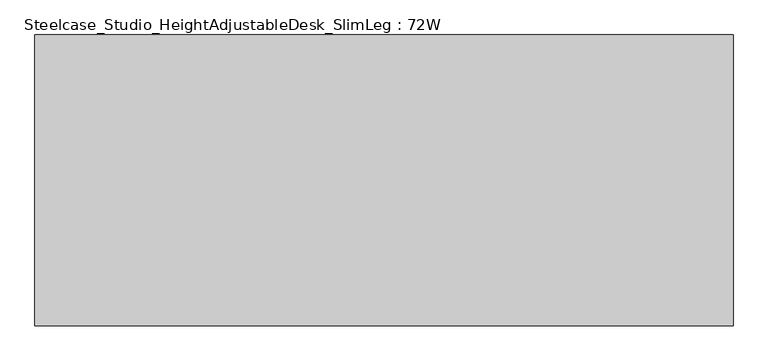
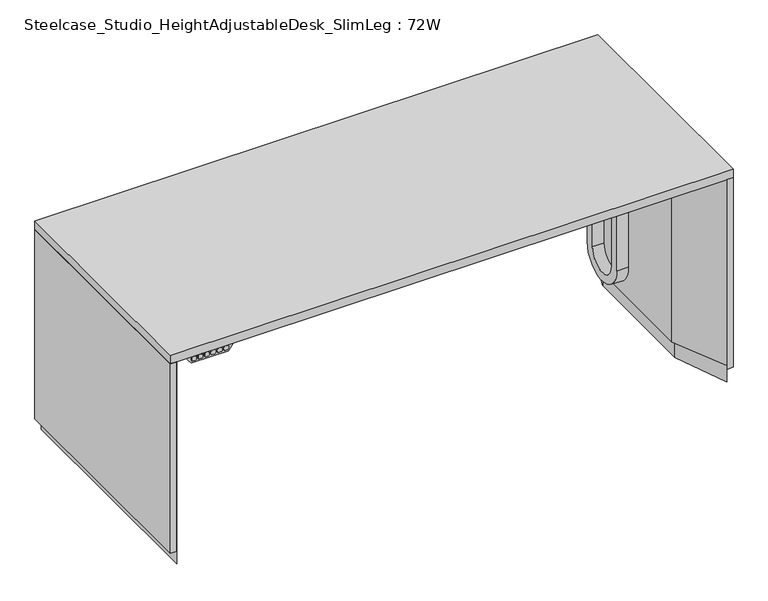
"""IFC4 building model written with IfcOpenShell, lengths in millimetres: furniture geometry, Steelcase_Studio_HeightAdjustableDesk_SlimLeg : 72W."""

from ifc_helpers import new_model, si_unit, point, frame, frame_2d, origin, origin_with_axes, place, context, project, spatial, polyline, circle_curve, trimmed, segment, composite_curve, outline, extrude, source, transform, mapped, element, save


def steelcase_studio_heightadjustabledesk_slimleg_72w_4364930f(model_context):
    return source(origin(), model_context, "Body", "SweptSolid", [
        extrude(outline(polyline([(1808.4798014, -761.9998668), (1732.279874, -584.2000424), (1732.279874, -177.8000121), (1808.4798014, -0.0003391), (1808.4798014, -761.9998668)])), frame((0.0, 0.0, 56.2102), z_axis=(0.0, 0.0, 1.0), x_axis=(1.0, 0.0, 0.0)), (0.0, 0.0, 1.0), 638.9712768),
        extrude(outline(polyline([(1742.439937, -177.8001938), (1808.4798014, -0.0003773), (1808.4798014, -762.0000224), (1742.439937, -584.2002241), (1742.439937, -177.8001938)])), origin_with_axes(), (0.0, 0.0, 1.0), 56.2102),
        extrude(outline(polyline([(1828.8, -762.0), (1808.4798014, -762.0), (1808.4798014, 0.0), (1828.8, 0.0), (1828.8, -762.0)])), frame((0.0, 0.0, 43.4339995), z_axis=(0.0, 0.0, 1.0), x_axis=(1.0, 0.0, 0.0)), (0.0, 0.0, 1.0), 651.7474773),
        extrude(outline(composite_curve([segment(polyline([(691.4695668, 82.4781924), (691.4695668, 75.0963464)]), True, "CONTINUOUS"), segment(trimmed(circle_curve(frame_2d((687.6595668, 75.0963464)), 3.81), [point((691.4695668, 75.0963464))], [point((687.6595668, 71.2863464))], False, "CARTESIAN"), True, "CONTINUOUS"), segment(polyline([(687.6595668, 71.2863464), (680.318634, 71.2863464)]), True, "CONTINUOUS"), segment(trimmed(circle_curve(frame_2d((680.318634, 75.0963464)), 3.81), [point((680.318634, 71.2863464))], [point((676.508634, 75.0963464))], False, "CARTESIAN"), True, "CONTINUOUS"), segment(polyline([(676.508634, 75.0963464), (676.508634, 82.4781924)]), True, "CONTINUOUS"), segment(trimmed(circle_curve(frame_2d((680.318634, 82.4781924)), 3.81), [point((676.508634, 82.4781924))], [point((680.318634, 86.2881924))], False, "CARTESIAN"), True, "CONTINUOUS"), segment(polyline([(680.318634, 86.2881924), (687.6595668, 86.2881924)]), True, "CONTINUOUS"), segment(trimmed(circle_curve(frame_2d((687.6595668, 82.4781924)), 3.81), [point((687.6595668, 86.2881924))], [point((691.4695668, 82.4781924))], False, "CARTESIAN"), True, "CONTINUOUS")], self_intersect=False)), frame((0.0, -758.4822432, 0.0), z_axis=(0.0, 1.0, 0.0), x_axis=(0.0, 0.0, 1.0)), (0.0, 0.0, 1.0), 2.5373041),
        extrude(outline(composite_curve([segment(polyline([(691.4695668, 103.5359187), (691.4695668, 96.1540727)]), True, "CONTINUOUS"), segment(trimmed(circle_curve(frame_2d((687.6595668, 96.1540727)), 3.81), [point((691.4695668, 96.1540727))], [point((687.6595668, 92.3440727))], False, "CARTESIAN"), True, "CONTINUOUS"), segment(polyline([(687.6595668, 92.3440727), (680.318634, 92.3440727)]), True, "CONTINUOUS"), segment(trimmed(circle_curve(frame_2d((680.318634, 96.1540727)), 3.81), [point((680.318634, 92.3440727))], [point((676.508634, 96.1540727))], False, "CARTESIAN"), True, "CONTINUOUS"), segment(polyline([(676.508634, 96.1540727), (676.508634, 103.5359187)]), True, "CONTINUOUS"), segment(trimmed(circle_curve(frame_2d((680.318634, 103.5359187)), 3.81), [point((676.508634, 103.5359187))], [point((680.318634, 107.3459187))], False, "CARTESIAN"), True, "CONTINUOUS"), segment(polyline([(680.318634, 107.3459187), (687.6595668, 107.3459187)]), True, "CONTINUOUS"), segment(trimmed(circle_curve(frame_2d((687.6595668, 103.5359187)), 3.81), [point((687.6595668, 107.3459187))], [point((691.4695668, 103.5359187))], False, "CARTESIAN"), True, "CONTINUOUS")], self_intersect=False)), frame((0.0, -758.4822432, 0.0), z_axis=(0.0, 1.0, 0.0), x_axis=(0.0, 0.0, 1.0)), (0.0, 0.0, 1.0), 2.5373041),
        extrude(outline(composite_curve([segment(polyline([(691.4695668, 124.3872622), (691.4695668, 117.0054163)]), True, "CONTINUOUS"), segment(trimmed(circle_curve(frame_2d((687.6595668, 117.0054163)), 3.81), [point((691.4695668, 117.0054163))], [point((687.6595668, 113.1954163))], False, "CARTESIAN"), True, "CONTINUOUS"), segment(polyline([(687.6595668, 113.1954163), (680.318634, 113.1954163)]), True, "CONTINUOUS"), segment(trimmed(circle_curve(frame_2d((680.318634, 117.0054163)), 3.81), [point((680.318634, 113.1954163))], [point((676.508634, 117.0054163))], False, "CARTESIAN"), True, "CONTINUOUS"), segment(polyline([(676.508634, 117.0054163), (676.508634, 124.3872622)]), True, "CONTINUOUS"), segment(trimmed(circle_curve(frame_2d((680.318634, 124.3872622)), 3.81), [point((676.508634, 124.3872622))], [point((680.318634, 128.1972622))], False, "CARTESIAN"), True, "CONTINUOUS"), segment(polyline([(680.318634, 128.1972622), (687.6595668, 128.1972622)]), True, "CONTINUOUS"), segment(trimmed(circle_curve(frame_2d((687.6595668, 124.3872622)), 3.81), [point((687.6595668, 128.1972622))], [point((691.4695668, 124.3872622))], False, "CARTESIAN"), True, "CONTINUOUS")], self_intersect=False)), frame((0.0, -758.4822432, 0.0), z_axis=(0.0, 1.0, 0.0), x_axis=(0.0, 0.0, 1.0)), (0.0, 0.0, 1.0), 2.5373041),
        extrude(outline(composite_curve([segment(polyline([(691.4695668, 145.3954276), (691.4695668, 138.0135816)]), True, "CONTINUOUS"), segment(trimmed(circle_curve(frame_2d((687.6595668, 138.0135816)), 3.81), [point((691.4695668, 138.0135816))], [point((687.6595668, 134.2035816))], False, "CARTESIAN"), True, "CONTINUOUS"), segment(polyline([(687.6595668, 134.2035816), (680.318634, 134.2035816)]), True, "CONTINUOUS"), segment(trimmed(circle_curve(frame_2d((680.318634, 138.0135816)), 3.81), [point((680.318634, 134.2035816))], [point((676.508634, 138.0135816))], False, "CARTESIAN"), True, "CONTINUOUS"), segment(polyline([(676.508634, 138.0135816), (676.508634, 145.3954276)]), True, "CONTINUOUS"), segment(trimmed(circle_curve(frame_2d((680.318634, 145.3954276)), 3.81), [point((676.508634, 145.3954276))], [point((680.318634, 149.2054276))], False, "CARTESIAN"), True, "CONTINUOUS"), segment(polyline([(680.318634, 149.2054276), (687.6595668, 149.2054276)]), True, "CONTINUOUS"), segment(trimmed(circle_curve(frame_2d((687.6595668, 145.3954276)), 3.81), [point((687.6595668, 149.2054276))], [point((691.4695668, 145.3954276))], False, "CARTESIAN"), True, "CONTINUOUS")], self_intersect=False)), frame((0.0, -758.4822432, 0.0), z_axis=(0.0, 1.0, 0.0), x_axis=(0.0, 0.0, 1.0)), (0.0, 0.0, 1.0), 2.5373041),
        extrude(outline(composite_curve([segment(polyline([(691.4695668, 166.4387652), (691.4695668, 159.0569193)]), True, "CONTINUOUS"), segment(trimmed(circle_curve(frame_2d((687.6595668, 159.0569193)), 3.81), [point((691.4695668, 159.0569193))], [point((687.6595668, 155.2469193))], False, "CARTESIAN"), True, "CONTINUOUS"), segment(polyline([(687.6595668, 155.2469193), (680.318634, 155.2469193)]), True, "CONTINUOUS"), segment(trimmed(circle_curve(frame_2d((680.318634, 159.0569193)), 3.81), [point((680.318634, 155.2469193))], [point((676.508634, 159.0569193))], False, "CARTESIAN"), True, "CONTINUOUS"), segment(polyline([(676.508634, 159.0569193), (676.508634, 166.4387652)]), True, "CONTINUOUS"), segment(trimmed(circle_curve(frame_2d((680.318634, 166.4387652)), 3.81), [point((676.508634, 166.4387652))], [point((680.318634, 170.2487652))], False, "CARTESIAN"), True, "CONTINUOUS"), segment(polyline([(680.318634, 170.2487652), (687.6595668, 170.2487652)]), True, "CONTINUOUS"), segment(trimmed(circle_curve(frame_2d((687.6595668, 166.4387652)), 3.81), [point((687.6595668, 170.2487652))], [point((691.4695668, 166.4387652))], False, "CARTESIAN"), True, "CONTINUOUS")], self_intersect=False)), frame((0.0, -758.4822432, 0.0), z_axis=(0.0, 1.0, 0.0), x_axis=(0.0, 0.0, 1.0)), (0.0, 0.0, 1.0), 2.5373041),
        extrude(outline(composite_curve([segment(polyline([(691.4695668, 187.4165545), (691.4695668, 180.0347086)]), True, "CONTINUOUS"), segment(trimmed(circle_curve(frame_2d((687.6595668, 180.0347086)), 3.81), [point((691.4695668, 180.0347086))], [point((687.6595668, 176.2247086))], False, "CARTESIAN"), True, "CONTINUOUS"), segment(polyline([(687.6595668, 176.2247086), (680.318634, 176.2247086)]), True, "CONTINUOUS"), segment(trimmed(circle_curve(frame_2d((680.318634, 180.0347086)), 3.81), [point((680.318634, 176.2247086))], [point((676.508634, 180.0347086))], False, "CARTESIAN"), True, "CONTINUOUS"), segment(polyline([(676.508634, 180.0347086), (676.508634, 187.4165545)]), True, "CONTINUOUS"), segment(trimmed(circle_curve(frame_2d((680.318634, 187.4165545)), 3.81), [point((676.508634, 187.4165545))], [point((680.318634, 191.2265545))], False, "CARTESIAN"), True, "CONTINUOUS"), segment(polyline([(680.318634, 191.2265545), (687.6595668, 191.2265545)]), True, "CONTINUOUS"), segment(trimmed(circle_curve(frame_2d((687.6595668, 187.4165545)), 3.81), [point((687.6595668, 191.2265545))], [point((691.4695668, 187.4165545))], False, "CARTESIAN"), True, "CONTINUOUS")], self_intersect=False)), frame((0.0, -758.4822432, 0.0), z_axis=(0.0, 1.0, 0.0), x_axis=(0.0, 0.0, 1.0)), (0.0, 0.0, 1.0), 2.5373041),
        extrude(outline(polyline([(695.1814768, 212.2927873), (695.1814768, 50.2849934), (669.0840146, 71.3119263), (669.0840146, 191.3430808), (695.1814768, 212.2927873)])), frame((0.0, -755.9449391, 0.0), z_axis=(0.0, 1.0, 0.0), x_axis=(0.0, 0.0, 1.0)), (0.0, 0.0, 1.0), 37.3887949),
        extrude(outline(composite_curve([segment(trimmed(circle_curve(frame_2d((-310.6249413, 208.7953404)), 83.3794577), [point((-227.2454836, 208.7953404))], [point((-394.004399, 208.7953404))], False, "CARTESIAN"), True, "CONTINUOUS"), segment(polyline([(-394.004399, 208.7953404), (-394.004399, 647.0650097), (-364.9605732, 647.0650097), (-364.9605732, 208.7953404)]), True, "CONTINUOUS"), segment(trimmed(circle_curve(frame_2d((-310.5950269, 208.7953404)), 54.3655462), [point((-364.9605732, 208.7953404))], [point((-256.2294807, 208.7953404))], True, "CARTESIAN"), True, "CONTINUOUS"), segment(polyline([(-256.2294807, 208.7953404), (-256.2294807, 695.1814768), (-227.2454836, 695.1814768), (-227.2454836, 208.7953404)]), True, "CONTINUOUS")], self_intersect=False)), frame((1663.464089, 0.0, 0.0), z_axis=(1.0, 0.0, 0.0), x_axis=(0.0, 1.0, 0.0)), (0.0, 0.0, 1.0), 37.8168777),
        extrude(outline(polyline([(-328.9299997, 644.7282338), (-433.0700003, 644.7282338), (-433.0700003, 649.6050437), (-457.2, 649.6050437), (-464.1850024, 674.4969836), (-444.500003, 674.4969836), (-444.500003, 683.768002), (-466.5980001, 683.768002), (-476.7572479, 695.1814768), (-285.2427521, 695.1814768), (-295.4019999, 683.768002), (-317.499997, 683.768002), (-317.499997, 674.4969836), (-297.8149976, 674.4969836), (-304.8, 649.6050437), (-328.9299997, 649.6050437), (-328.9299997, 644.7282338)])), frame((96.520126, 0.0, 0.0), z_axis=(1.0, 0.0, 0.0), x_axis=(0.0, 1.0, 0.0)), (0.0, 0.0, 1.0), 1635.7597481),
        extrude(outline(polyline([(20.3201986, -761.9998668), (20.3201986, -0.0003391), (96.520126, -177.8000121), (96.520126, -584.2000424), (20.3201986, -761.9998668)])), frame((0.0, 0.0, 56.2102), z_axis=(0.0, 0.0, 1.0), x_axis=(1.0, 0.0, 0.0)), (0.0, 0.0, 1.0), 638.9712768),
        extrude(outline(polyline([(86.360063, -177.8001938), (86.360063, -584.2002241), (20.3201986, -762.0000224), (20.3201986, -0.0003773), (86.360063, -177.8001938)])), origin_with_axes(), (0.0, 0.0, 1.0), 56.2102),
        extrude(outline(polyline([(20.3201986, -762.0), (0.0, -762.0), (0.0, 0.0), (20.3201986, 0.0), (20.3201986, -762.0)])), frame((0.0, 0.0, 43.4339995), z_axis=(0.0, 0.0, 1.0), x_axis=(1.0, 0.0, 0.0)), (0.0, 0.0, 1.0), 651.7474773),
        extrude(outline(polyline([(1828.8, 0.0), (1828.8, -762.0), (0.0, -762.0), (0.0, 0.0), (1828.8, 0.0)])), frame((0.0, 0.0, 695.1814768), z_axis=(0.0, 0.0, 1.0), x_axis=(1.0, 0.0, 0.0)), (0.0, 0.0, 1.0), 28.7185232),
    ])


if __name__ == "__main__":
    model = new_model("IFC4")
    model_context = context("Model", 3, world=origin())
    ifc_project = project(units=[si_unit("LENGTHUNIT", "METRE", prefix="MILLI")], contexts=[model_context])
    site = spatial("IfcSite", under=ifc_project)
    building = spatial("IfcBuilding", under=site)
    placement = place(None, origin())
    steelcase_studio_heightadjustabledesk_slimleg_72w_shape = steelcase_studio_heightadjustabledesk_slimleg_72w_4364930f(model_context)
    element("IfcFurniture", 1, ObjectType="Steelcase_Studio_HeightAdjustableDesk_SlimLeg : 72W", at=placement, inside=building, context=model_context, shape_type="MappedRepresentation", body=[
        mapped(steelcase_studio_heightadjustabledesk_slimleg_72w_shape, transform((0.0, 0.0, 0.0), x_axis=(1.0, 0.0, 0.0), y_axis=(0.0, 1.0, 0.0), z_axis=(0.0, 0.0, 1.0))),
    ])
    save(model, "model.ifc")
